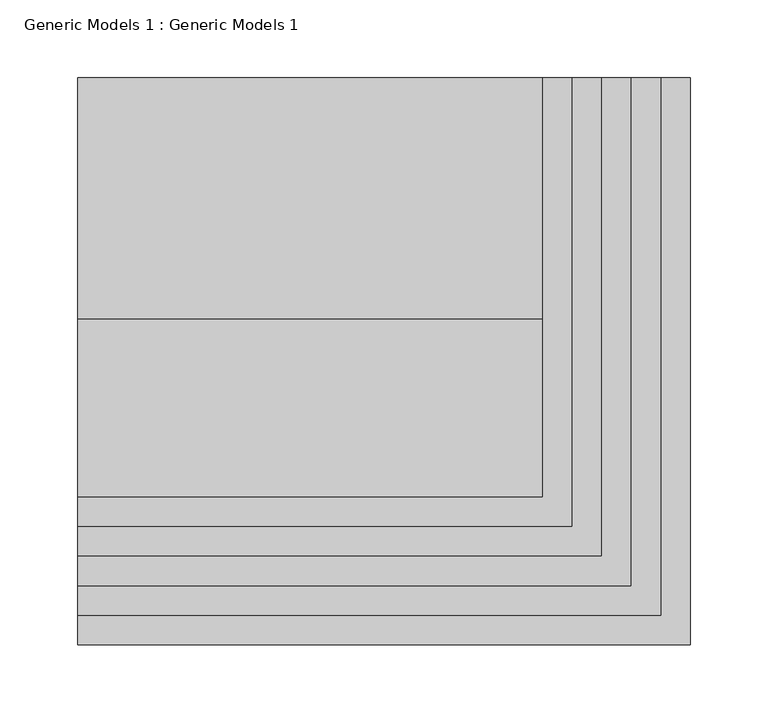
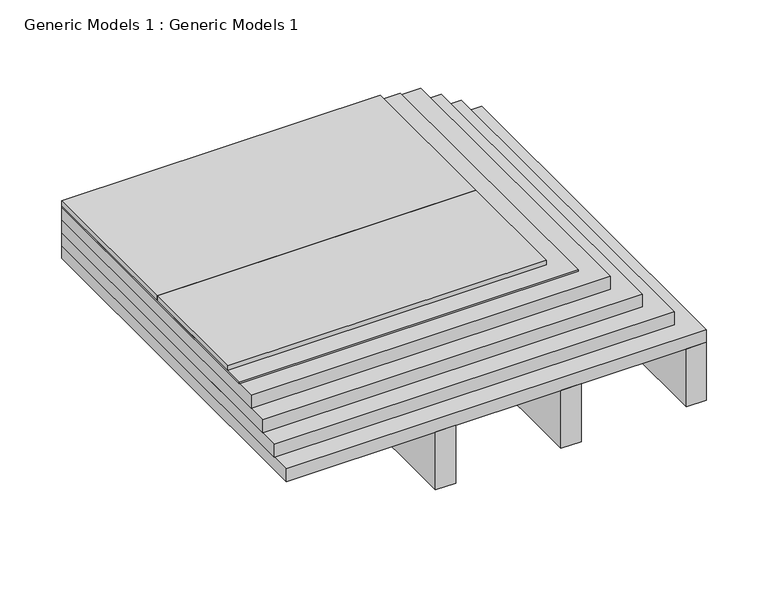
"""IFC4 building model written with IfcOpenShell, lengths in millimetres: proxy geometry, Generic Models 1 : Generic Models 1."""

from ifc_helpers import new_model, si_unit, frame, origin, place, context, project, spatial, polyline, outline, extrude, source, transform, mapped, element, save


def generic_models_1_generic_models_1_9150fb1f(model_context):
    return source(origin(), model_context, "Body", "SweptSolid", [
        extrude(outline(polyline([(-101.6, 364.5288588), (196.85, 364.5288588), (196.85, 209.55), (-101.6, 209.55), (-101.6, 364.5288588)])), frame((0.0, 0.0, 141.2875), z_axis=(0.0, 0.0, 1.0), x_axis=(1.0, 0.0, 0.0)), (0.0, 0.0, 1.0), 4.7625),
        extrude(outline(polyline([(-101.6, 209.55), (196.85, 209.55), (196.85, 95.25), (-101.6, 95.25), (-101.6, 209.55)])), frame((0.0, 0.0, 141.2875), z_axis=(0.0, 0.0, 1.0), x_axis=(1.0, 0.0, 0.0)), (0.0, 0.0, 1.0), 4.7625),
        extrude(outline(polyline([(-101.6, 364.5288588), (215.9, 364.5288588), (215.9, 76.2), (-101.6, 76.2), (-101.6, 364.5288588)])), frame((0.0, 0.0, 139.7), z_axis=(0.0, 0.0, 1.0), x_axis=(1.0, 0.0, 0.0)), (0.0, 0.0, 1.0), 1.5875),
        extrude(outline(polyline([(-101.6, 364.5288588), (234.95, 364.5288588), (234.95, 57.15), (-101.6, 57.15), (-101.6, 364.5288588)])), frame((0.0, 0.0, 127.0), z_axis=(0.0, 0.0, 1.0), x_axis=(1.0, 0.0, 0.0)), (0.0, 0.0, 1.0), 12.7),
        extrude(outline(polyline([(-101.6, 364.5288588), (254.0, 364.5288588), (254.0, 38.1), (-101.6, 38.1), (-101.6, 364.5288588)])), frame((0.0, 0.0, 114.3), z_axis=(0.0, 0.0, 1.0), x_axis=(1.0, 0.0, 0.0)), (0.0, 0.0, 1.0), 12.7),
        extrude(outline(polyline([(-101.6, 364.5288588), (273.05, 364.5288588), (273.05, 19.05), (-101.6, 19.05), (-101.6, 364.5288588)])), frame((0.0, 0.0, 101.6), z_axis=(0.0, 0.0, 1.0), x_axis=(1.0, 0.0, 0.0)), (0.0, 0.0, 1.0), 12.7),
        extrude(outline(polyline([(57.15, 0.0), (38.1, 0.0), (38.1, 261.3017557), (57.15, 261.3017557), (57.15, 0.0)])), frame((0.0, 0.0, 31.75), z_axis=(0.0, 0.0, 1.0), x_axis=(1.0, 0.0, 0.0)), (0.0, 0.0, 1.0), 57.15),
        extrude(outline(polyline([(174.625, 0.0), (155.575, 0.0), (155.575, 261.3017557), (174.625, 261.3017557), (174.625, 0.0)])), frame((0.0, 0.0, 31.75), z_axis=(0.0, 0.0, 1.0), x_axis=(1.0, 0.0, 0.0)), (0.0, 0.0, 1.0), 57.15),
        extrude(outline(polyline([(292.1, 0.0), (273.05, 0.0), (273.05, 364.5288588), (292.1, 364.5288588), (292.1, 0.0)])), frame((0.0, 0.0, 31.75), z_axis=(0.0, 0.0, 1.0), x_axis=(1.0, 0.0, 0.0)), (0.0, 0.0, 1.0), 57.15),
        extrude(outline(polyline([(-101.6, 364.5288588), (292.1, 364.5288588), (292.1, 0.0), (-101.6, 0.0), (-101.6, 364.5288588)])), frame((0.0, 0.0, 88.9), z_axis=(0.0, 0.0, 1.0), x_axis=(1.0, 0.0, 0.0)), (0.0, 0.0, 1.0), 12.7),
    ])


if __name__ == "__main__":
    model = new_model("IFC4")
    model_context = context("Model", 3, world=origin())
    ifc_project = project(units=[si_unit("LENGTHUNIT", "METRE", prefix="MILLI")], contexts=[model_context])
    site = spatial("IfcSite", under=ifc_project)
    building = spatial("IfcBuilding", under=site)
    placement = place(None, origin())
    generic_models_1_generic_models_1_shape = generic_models_1_generic_models_1_9150fb1f(model_context)
    element("IfcBuildingElementProxy", 1, Name="Generic Models 1 : Generic Models 1", ObjectType="Generic Models 1 : Generic Models 1", at=placement, inside=building, context=model_context, shape_type="MappedRepresentation", body=[
        mapped(generic_models_1_generic_models_1_shape, transform((0.0, 0.0, 0.0), x_axis=(1.0, 0.0, 0.0), y_axis=(0.0, 1.0, 0.0), z_axis=(0.0, 0.0, 1.0))),
    ])
    save(model, "model.ifc")
